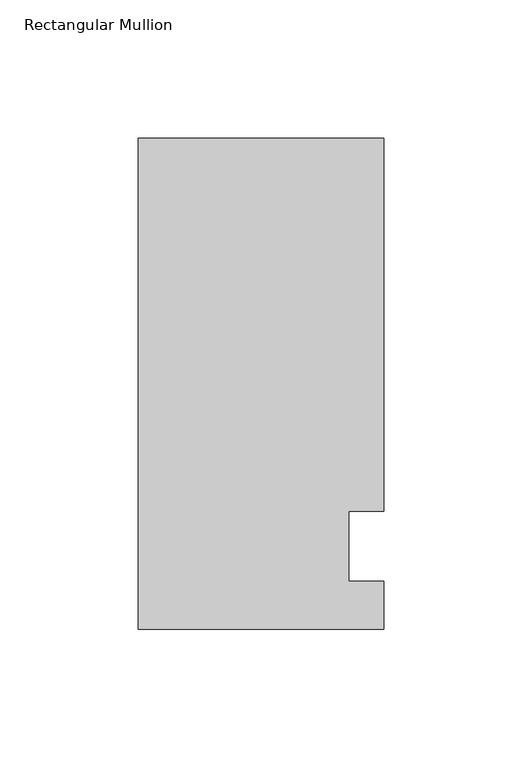
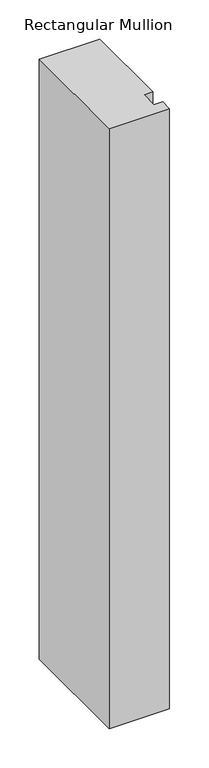
"""IFC4 building model written with IfcOpenShell, lengths in millimetres: member geometry, Rectangular Mullion."""

from ifc_helpers import new_model, si_unit, frame, origin, place, context, project, spatial, polyline, outline, extrude, source, transform, mapped, element, save


def rectangular_mullion_22f03fac(model_context):
    return source(origin(), model_context, "Body", "SweptSolid", [
        extrude(outline(polyline([(48.7844027, 149.225), (48.7844027, 14.2339535), (36.0844027, 14.2339535), (36.0844027, -11.1660465), (48.7844027, -11.1660465), (48.7844027, -28.575), (-40.1155973, -28.575), (-40.1155973, 149.225), (48.7844027, 149.225)])), frame((0.0, 0.0, -933.45), z_axis=(0.0, 0.0, 1.0), x_axis=(1.0, 0.0, 0.0)), (0.0, 0.0, 1.0), 933.45),
    ])


if __name__ == "__main__":
    model = new_model("IFC4")
    model_context = context("Model", 3, world=origin())
    ifc_project = project(units=[si_unit("LENGTHUNIT", "METRE", prefix="MILLI")], contexts=[model_context])
    site = spatial("IfcSite", under=ifc_project)
    building = spatial("IfcBuilding", under=site)
    placement = place(None, origin())
    rectangular_mullion_shape = rectangular_mullion_22f03fac(model_context)
    element("IfcMember", 1, ObjectType="Rectangular Mullion", at=placement, inside=building, context=model_context, shape_type="MappedRepresentation", body=[
        mapped(rectangular_mullion_shape, transform((0.0, 0.0, 0.0), x_axis=(1.0, 0.0, 0.0), y_axis=(0.0, 1.0, 0.0), z_axis=(0.0, 0.0, 1.0))),
    ])
    save(model, "model.ifc")
